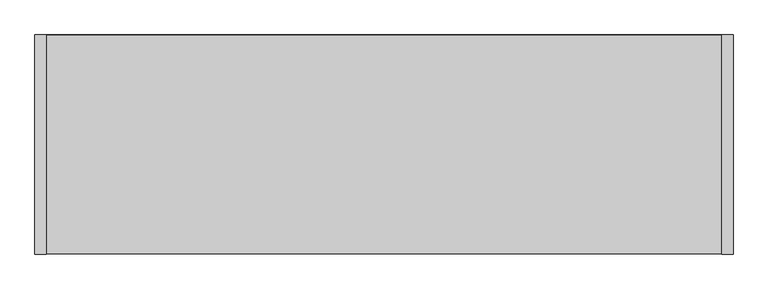
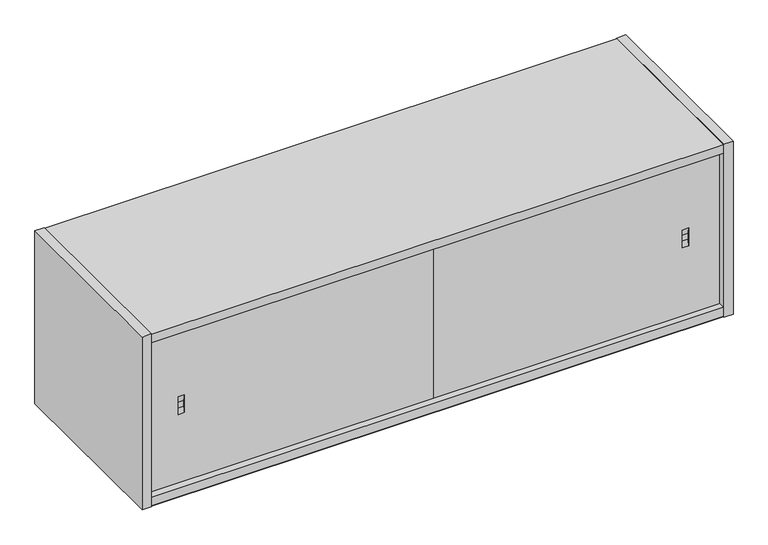
"""IFC4 building model written with IfcOpenShell, lengths in millimetres: furniture geometry."""

from ifc_helpers import new_model, si_unit, frame, origin, place, context, project, spatial, polyline, outline, extrude, faceted_brep, source, transform, mapped, element, save


def furniture_0af1688f(model_context):
    return source(origin(), model_context, "Body", "SolidModel", [
        faceted_brep([(98.0439973, -363.9830881, 1510.7190122), (98.0439973, -363.9830881, 1497.9109822), (98.0439973, -366.0139961, 1485.2650063), (98.0439973, -366.0139961, 1523.3650063), (85.3440004, -363.9830881, 1510.7190122), (85.3440004, -366.0139961, 1523.3650063), (85.3440004, -366.0139961, 1485.2650063), (85.3440004, -363.9830881, 1497.9109822), (609.6, -356.4889961, 1337.0560114), (609.6, -356.4889961, 1671.5740012), (609.6, -366.0139961, 1671.5740012), (609.6, -366.0139961, 1337.0560114), (21.8439996, -356.4889961, 1337.0560114), (21.8439996, -366.0139961, 1337.0560114), (21.8439996, -366.0139961, 1671.5740012), (21.8439996, -356.4889961, 1671.5740012)], [[[0, 1, 2, 3]], [[4, 5, 6, 7]], [[0, 3, 5, 4]], [[2, 1, 7, 6]], [[1, 0, 4, 7]], [[8, 9, 10, 11]], [[12, 13, 14, 15]], [[9, 8, 12, 15]], [[10, 9, 15, 14]], [[11, 10, 14, 13], [3, 2, 6, 5]], [[8, 11, 13, 12]]]),
        faceted_brep([(1197.3560004, -356.4889961, 1671.5740012), (1197.3560004, -366.0139961, 1671.5740012), (1197.3560004, -366.0139961, 1337.0560114), (1197.3560004, -356.4889961, 1337.0560114), (609.6, -356.4889961, 1671.5740012), (609.6, -356.4889961, 1337.0560114), (609.6, -366.0139961, 1337.0560114), (609.6, -366.0139961, 1671.5740012), (1121.1560027, -366.0139961, 1485.2650063), (1121.1560027, -366.0139961, 1523.3650063), (1133.8559996, -366.0139961, 1523.3650063), (1133.8559996, -366.0139961, 1485.2650063), (1121.1560027, -363.9830881, 1510.7190122), (1121.1560027, -363.9830881, 1497.9109822), (1133.8559996, -363.9830881, 1510.7190122), (1133.8559996, -363.9830881, 1497.9109822)], [[[0, 1, 2, 3]], [[4, 5, 6, 7]], [[1, 0, 4, 7]], [[2, 1, 7, 6], [8, 9, 10, 11]], [[3, 2, 6, 5]], [[0, 3, 5, 4]], [[12, 9, 8, 13]], [[14, 15, 11, 10]], [[9, 12, 14, 10]], [[13, 8, 11, 15]], [[12, 13, 15, 14]]]),
        extrude(outline(polyline([(21.8439996, -381.0), (2.5400001, -381.0), (2.5400001, 0.0), (21.8439996, 0.0), (21.8439996, -381.0)])), frame((0.0, 0.0, 1316.2280002), z_axis=(0.0, 0.0, 1.0), x_axis=(1.0, 0.0, 0.0)), (0.0, 0.0, 1.0), 375.412),
        extrude(outline(polyline([(0.0, 1589.0239982), (-11.938, 1600.9619959), (-11.938, 1671.5740012), (0.0, 1671.5740012), (0.0, 1589.0239982)])), frame((21.8439996, 0.0, 0.0), z_axis=(1.0, 0.0, 0.0), x_axis=(0.0, 1.0, 0.0)), (0.0, 0.0, 1.0), 1175.5120008),
        extrude(outline(polyline([(619.2520271, -346.0749879), (599.9479729, -346.0749879), (599.9479729, -31.2419997), (619.2520271, -31.2419997), (619.2520271, -346.0749879)])), frame((0.0, 0.0, 1336.2940002), z_axis=(0.0, 0.0, 1.0), x_axis=(1.0, 0.0, 0.0)), (0.0, 0.0, 1.0), 335.280001),
        extrude(outline(polyline([(1197.3560004, -380.2379826), (21.8439996, -380.2379826), (21.8439996, -0.762), (1197.3560004, -0.762), (1197.3560004, -380.2379826)])), frame((0.0, 0.0, 1317.7519934), z_axis=(0.0, 0.0, 1.0), x_axis=(1.0, 0.0, 0.0)), (0.0, 0.0, 1.0), 19.3040179),
        extrude(outline(polyline([(1197.3560004, -11.938), (1197.3560004, -31.2419997), (21.8439996, -31.2419997), (21.8439996, -11.938), (1197.3560004, -11.938)])), frame((0.0, 0.0, 1336.2940002), z_axis=(0.0, 0.0, 1.0), x_axis=(1.0, 0.0, 0.0)), (0.0, 0.0, 1.0), 335.280001),
        extrude(outline(polyline([(1197.3560004, -380.2379826), (21.8439996, -380.2379826), (21.8439996, -31.2419997), (1197.3560004, -31.2419997), (1197.3560004, -380.2379826)])), frame((0.0, 0.0, 1316.9900002), z_axis=(0.0, 0.0, 1.0), x_axis=(1.0, 0.0, 0.0)), (0.0, 0.0, 1.0), 19.304),
        extrude(outline(polyline([(1216.6600024, -381.0), (1197.3560004, -381.0), (1197.3560004, 0.0), (1216.6600024, 0.0), (1216.6600024, -381.0)])), frame((0.0, 0.0, 1316.2280002), z_axis=(0.0, 0.0, 1.0), x_axis=(1.0, 0.0, 0.0)), (0.0, 0.0, 1.0), 375.412),
        extrude(outline(polyline([(1197.3560004, -380.2379826), (21.8439996, -380.2379826), (21.8439996, -0.762), (1197.3560004, -0.762), (1197.3560004, -380.2379826)])), frame((0.0, 0.0, 1671.5740012), z_axis=(0.0, 0.0, 1.0), x_axis=(1.0, 0.0, 0.0)), (0.0, 0.0, 1.0), 19.303999),
    ])


if __name__ == "__main__":
    model = new_model("IFC4")
    model_context = context("Model", 3, world=origin())
    ifc_project = project(units=[si_unit("LENGTHUNIT", "METRE", prefix="MILLI")], contexts=[model_context])
    site = spatial("IfcSite", under=ifc_project)
    building = spatial("IfcBuilding", under=site)
    placement = place(None, origin())
    furniture_shape = furniture_0af1688f(model_context)
    element("IfcFurniture", 1, at=placement, inside=building, context=model_context, shape_type="MappedRepresentation", body=[
        mapped(furniture_shape, transform((0.0, 0.0, 0.0), x_axis=(1.0, 0.0, 0.0), y_axis=(0.0, 1.0, 0.0), z_axis=(0.0, 0.0, 1.0))),
    ])
    save(model, "model.ifc")
